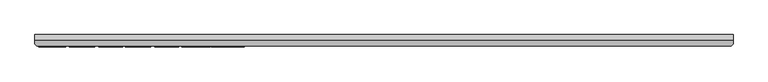
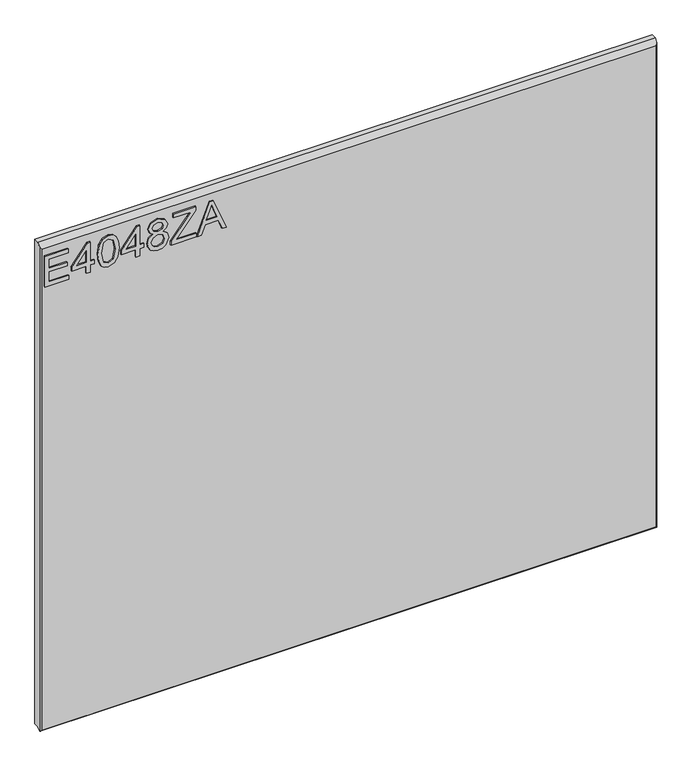
"""IFC4 building model written with IfcOpenShell, lengths in millimetres: furniture geometry."""

from ifc_helpers import new_model, si_unit, frame, origin, place, context, project, spatial, polyline, outline, extrude, faceted_brep, source, transform, mapped, element, save


def furniture_013491f0(model_context):
    return source(origin(), model_context, "Body", "SolidModel", [
        extrude(outline(polyline([(2030.2018388, -279.0852904), (2030.2018388, -232.2396877), (2038.1755584, -232.2396877), (2038.1755584, -271.1115708), (2059.1065724, -271.1115708), (2059.1065724, -235.2298325), (2067.080292, -235.2298325), (2067.080292, -271.1115708), (2086.0178761, -271.1115708), (2086.0178761, -233.2364026), (2093.9915957, -233.2364026), (2093.9915957, -279.0852904), (2030.2018388, -279.0852904)])), frame((0.0, -21.9273438, 0.0), z_axis=(0.0, 1.0, 0.0), x_axis=(0.0, 0.0, 1.0)), (0.0, 0.0, 1.0), 2.38125),
        extrude(outline(polyline([(2030.2018388, -197.3546643), (2030.2018388, -189.3809447), (2045.152563, -189.3809447), (2045.152563, -181.4072251), (2053.1262827, -181.4072251), (2053.1262827, -189.3809447), (2092.9948807, -189.3809447), (2092.9948807, -195.3612344), (2053.1262827, -226.2593979), (2045.152563, -226.2593979), (2045.152563, -197.3546643), (2030.2018388, -197.3546643)]), holes=[polyline([(2053.1262827, -197.3546643), (2053.1262827, -216.4479851), (2077.7638304, -197.3546643), (2053.1262827, -197.3546643)])]), frame((0.0, -21.9273438, 0.0), z_axis=(0.0, 1.0, 0.0), x_axis=(0.0, 0.0, 1.0)), (0.0, 0.0, 1.0), 2.38125),
        extrude(outline(polyline([(2061.5827861, -174.4302204), (2046.0675162, -172.841706), (2035.2788555, -168.0761626), (2030.7235567, -161.7843995), (2029.2051238, -153.4992064), (2032.701413, -141.8267399), (2043.307083, -134.8886694), (2061.5827861, -132.5681924), (2076.5724445, -134.0165438), (2086.0100892, -137.7542249), (2091.9358711, -144.1861511), (2093.9915957, -153.4992064), (2090.518667, -165.1249519), (2079.9363575, -172.0863829), (2061.5827861, -174.4302204)]), holes=[polyline([(2061.5983597, -166.4565008), (2081.7506902, -162.5942304), (2086.0178761, -153.5926485), (2081.1744644, -144.1550038), (2061.5983597, -140.5419121), (2041.8120106, -144.2795931), (2037.1788434, -153.4992064), (2041.7964369, -162.7188197), (2061.5983597, -166.4565008)])]), frame((0.0, -21.9273438, 0.0), z_axis=(0.0, 1.0, 0.0), x_axis=(0.0, 0.0, 1.0)), (0.0, 0.0, 1.0), 2.38125),
        extrude(outline(polyline([(2030.2018388, -99.676599), (2030.2018388, -91.7028794), (2045.152563, -91.7028794), (2045.152563, -83.7291598), (2053.1262827, -83.7291598), (2053.1262827, -91.7028794), (2092.9948807, -91.7028794), (2092.9948807, -97.6831691), (2053.1262827, -128.5813326), (2045.152563, -128.5813326), (2045.152563, -99.676599), (2030.2018388, -99.676599)]), holes=[polyline([(2053.1262827, -99.676599), (2053.1262827, -118.7699198), (2077.7638304, -99.676599), (2053.1262827, -99.676599)])]), frame((0.0, -21.9273438, 0.0), z_axis=(0.0, 1.0, 0.0), x_axis=(0.0, 0.0, 1.0)), (0.0, 0.0, 1.0), 2.38125),
        extrude(outline(polyline([(2065.3360408, -65.1341964), (2059.5426352, -73.7308629), (2048.9836861, -76.7521551), (2041.2260512, -75.3115905), (2034.8661533, -70.9898968), (2030.6203812, -64.3165787), (2029.2051238, -55.8211411), (2030.614541, -47.3257035), (2034.8427927, -40.6523854), (2048.7656547, -34.8901271), (2059.0832119, -37.7946168), (2065.3360408, -46.2744807), (2070.2651077, -39.2118208), (2077.779404, -36.883557), (2089.2727733, -42.1163105), (2093.9915957, -55.9301568), (2089.381789, -69.6194137), (2077.9974354, -74.7587252), (2070.2884682, -72.399314), (2065.3360408, -65.1341964)]), holes=[polyline([(2077.7638304, -66.7850056), (2083.5883834, -63.9116633), (2086.0178761, -55.8211411), (2083.5338755, -47.7539795), (2077.4056359, -44.8572766), (2071.4876409, -47.6605374), (2069.0737219, -55.7276991), (2071.5032146, -63.9583843), (2077.7638304, -66.7850056)]), polyline([(2049.2640122, -68.7784355), (2057.7205156, -65.4067357), (2061.1000023, -56.0235988), (2057.6737946, -46.3679227), (2049.0148335, -42.8638467), (2040.5193959, -46.258907), (2037.1788434, -55.7588464), (2038.7673579, -62.7358511), (2043.260362, -67.4468866), (2049.2640122, -68.7784355)])]), frame((0.0, -21.9273438, 0.0), z_axis=(0.0, 1.0, 0.0), x_axis=(0.0, 0.0, 1.0)), (0.0, 0.0, 1.0), 2.38125),
        extrude(outline(polyline([(2030.2018388, -29.9065523), (2030.2018388, 19.9291953), (2038.1755584, 19.9291953), (2038.1755584, -20.1418606), (2042.3025812, -16.7779476), (2086.0178761, 18.9324803), (2093.9915957, 18.9324803), (2093.9915957, -25.9196925), (2086.0178761, -25.9196925), (2086.0178761, 8.9186098), (2078.4179246, 2.7202887), (2038.4714581, -29.9065523), (2030.2018388, -29.9065523)])), frame((0.0, -21.9273438, 0.0), z_axis=(0.0, 1.0, 0.0), x_axis=(0.0, 0.0, 1.0)), (0.0, 0.0, 1.0), 2.38125),
        extrude(outline(polyline([(2030.2018388, 21.4709887), (2030.2018388, 29.8963448), (2050.1361378, 37.1848229), (2050.1361378, 63.4576061), (2030.2018388, 70.7616578), (2030.2018388, 79.1870139), (2093.9915957, 53.7240616), (2093.9915957, 46.933941), (2030.2018388, 21.4709887)]), holes=[polyline([(2058.1098574, 40.112673), (2075.1630273, 46.3577152), (2086.0178761, 50.3290013), (2073.7925442, 54.7986449), (2058.1098574, 60.5453296), (2058.1098574, 40.112673)])]), frame((0.0, -21.9273438, 0.0), z_axis=(0.0, 1.0, 0.0), x_axis=(0.0, 0.0, 1.0)), (0.0, 0.0, 1.0), 2.38125),
        faceted_brep([(933.1377049, 0.0, 2119.1018387), (-286.0622951, 0.0, 2119.1018387), (-286.0622951, -9.7234375, 2119.1018387), (933.1377049, -9.7234375, 2119.1018387), (-286.0622951, 0.0, 1107.9635575), (933.1377049, 0.0, 1107.9635575), (933.1377049, -10.0210916, 1107.9635575), (-286.0622951, -10.0210916, 1107.9635575), (-286.0622951, -15.9900938, 1101.9945554), (-286.0622951, -15.9900938, 2112.8351825), (929.9627049, -19.5460937, 2109.2791825), (-282.8872951, -19.5460937, 2109.2791825), (-282.8872951, -19.5460937, 1104.7885575), (929.9627068, -19.5460937, 1104.7885575), (933.1377049, -15.9900938, 2112.8351825), (933.1377049, -15.9900938, 1101.9945554), (932.7975282, -16.3710916, 1101.6135575), (-285.7221184, -16.3710916, 1101.6135575)], [[[0, 1, 2, 3]], [[4, 5, 6, 7]], [[1, 4, 7, 8, 9, 2]], [[10, 11, 12, 13]], [[5, 0, 3, 14, 15, 6]], [[1, 0, 5, 4]], [[3, 2, 9, 11, 10, 14]], [[7, 6, 15, 16, 17, 8]], [[17, 16, 13, 12]], [[9, 8, 17, 12, 11]], [[10, 13, 16, 15, 14]]]),
    ])


if __name__ == "__main__":
    model = new_model("IFC4")
    model_context = context("Model", 3, world=origin())
    ifc_project = project(units=[si_unit("LENGTHUNIT", "METRE", prefix="MILLI")], contexts=[model_context])
    site = spatial("IfcSite", under=ifc_project)
    building = spatial("IfcBuilding", under=site)
    placement = place(None, origin())
    furniture_shape = furniture_013491f0(model_context)
    element("IfcFurniture", 1, at=placement, inside=building, context=model_context, shape_type="MappedRepresentation", body=[
        mapped(furniture_shape, transform((0.0, 0.0, 0.0), x_axis=(1.0, 0.0, 0.0), y_axis=(0.0, 1.0, 0.0), z_axis=(0.0, 0.0, 1.0))),
    ])
    save(model, "model.ifc")
